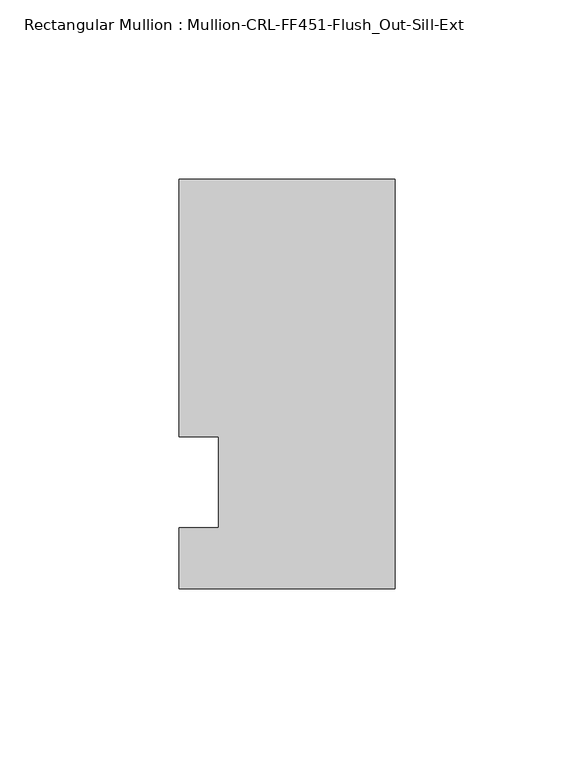
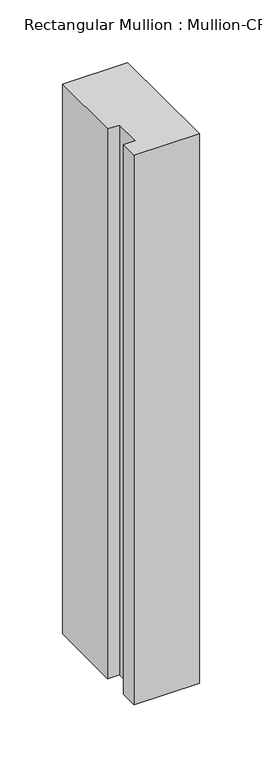
"""IFC4 building model written with IfcOpenShell, lengths in millimetres: member geometry, Rectangular Mullion : Mullion-CRL-FF451-Flush_Out-Sill-Ext."""

from ifc_helpers import new_model, si_unit, frame, origin, place, context, project, spatial, polyline, outline, extrude, source, transform, mapped, element, save


def rectangular_mullion_mullion_crl_ff451_flush_out_sill_ext_97a278cc(model_context):
    return source(origin(), model_context, "Body", "SweptSolid", [
        extrude(outline(polyline([(-60.325, 84.6650108), (0.0, 84.6650108), (0.0, -29.6349892), (-60.325, -29.6349892), (-60.325, -12.7), (-49.222241, -12.7), (-49.222241, 12.7), (-60.325, 12.7), (-60.325, 84.6650108)])), frame((0.0, 0.0, -536.492441), z_axis=(0.0, 0.0, 1.0), x_axis=(1.0, 0.0, 0.0)), (0.0, 0.0, 1.0), 536.492441),
    ])


if __name__ == "__main__":
    model = new_model("IFC4")
    model_context = context("Model", 3, world=origin())
    ifc_project = project(units=[si_unit("LENGTHUNIT", "METRE", prefix="MILLI")], contexts=[model_context])
    site = spatial("IfcSite", under=ifc_project)
    building = spatial("IfcBuilding", under=site)
    placement = place(None, origin())
    rectangular_mullion_mullion_crl_ff451_flush_out_sill_ext_shape = rectangular_mullion_mullion_crl_ff451_flush_out_sill_ext_97a278cc(model_context)
    element("IfcMember", 1, ObjectType="Rectangular Mullion : Mullion-CRL-FF451-Flush_Out-Sill-Ext", at=placement, inside=building, context=model_context, shape_type="MappedRepresentation", body=[
        mapped(rectangular_mullion_mullion_crl_ff451_flush_out_sill_ext_shape, transform((0.0, 0.0, 0.0), x_axis=(1.0, 0.0, 0.0), y_axis=(0.0, 1.0, 0.0), z_axis=(0.0, 0.0, 1.0))),
    ])
    save(model, "model.ifc")
